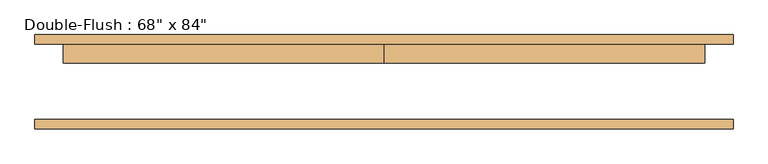
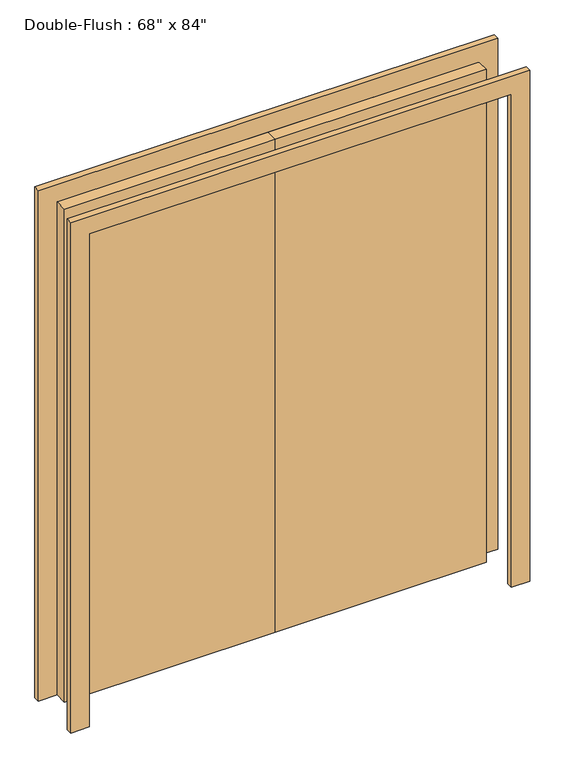
"""IFC4 building model written with IfcOpenShell, lengths in millimetres: door geometry."""

from ifc_helpers import new_model, si_unit, frame, origin, origin_with_axes, place, context, project, spatial, polyline, outline, extrude, source, transform, mapped, element, save


def door_5d648b23(model_context):
    return source(origin(), model_context, "Body", "SweptSolid", [
        extrude(outline(polyline([(0.0, 101.6), (863.6, 101.6), (863.6, 50.8), (0.0, 50.8), (0.0, 101.6)])), origin_with_axes(), (0.0, 0.0, 1.0), 2133.6),
        extrude(outline(polyline([(-863.6, 101.6), (0.0, 101.6), (0.0, 50.8), (-863.6, 50.8), (-863.6, 101.6)])), origin_with_axes(), (0.0, 0.0, 1.0), 2133.6),
        extrude(outline(polyline([(2133.6, -863.6), (2133.6, 863.6), (0.0, 863.6), (0.0, 939.8), (2209.8, 939.8), (2209.8, -939.8), (0.0, -939.8), (0.0, -863.6), (2133.6, -863.6)])), frame((0.0, -127.0, 0.0), z_axis=(0.0, 1.0, 0.0), x_axis=(0.0, 0.0, 1.0)), (0.0, 0.0, 1.0), 25.4),
        extrude(outline(polyline([(2133.6, -863.6), (2133.6, 863.6), (0.0, 863.6), (0.0, 939.8), (2209.8, 939.8), (2209.8, -939.8), (0.0, -939.8), (0.0, -863.6), (2133.6, -863.6)])), frame((0.0, 101.6, 0.0), z_axis=(0.0, 1.0, 0.0), x_axis=(0.0, 0.0, 1.0)), (0.0, 0.0, 1.0), 25.4),
    ])


if __name__ == "__main__":
    model = new_model("IFC4")
    model_context = context("Model", 3, world=origin())
    ifc_project = project(units=[si_unit("LENGTHUNIT", "METRE", prefix="MILLI")], contexts=[model_context])
    site = spatial("IfcSite", under=ifc_project)
    building = spatial("IfcBuilding", under=site)
    placement = place(None, origin())
    door_shape = door_5d648b23(model_context)
    element("IfcDoor", 1, ObjectType="Double-Flush : 68\" x 84\"", at=placement, inside=building, context=model_context, shape_type="MappedRepresentation", body=[
        mapped(door_shape, transform((0.0, 0.0, 0.0), x_axis=(1.0, 0.0, 0.0), y_axis=(0.0, 1.0, 0.0), z_axis=(0.0, 0.0, 1.0))),
    ])
    save(model, "model.ifc")
